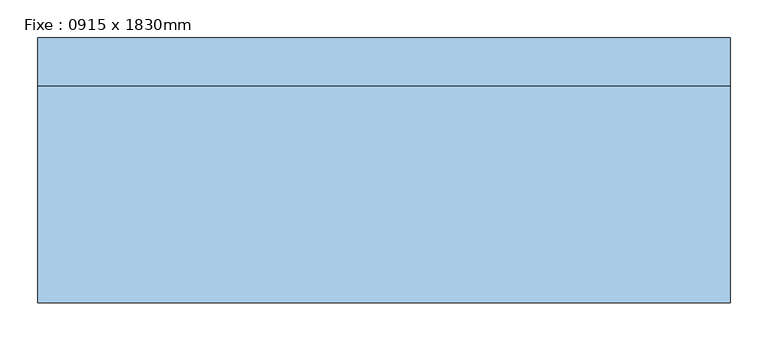
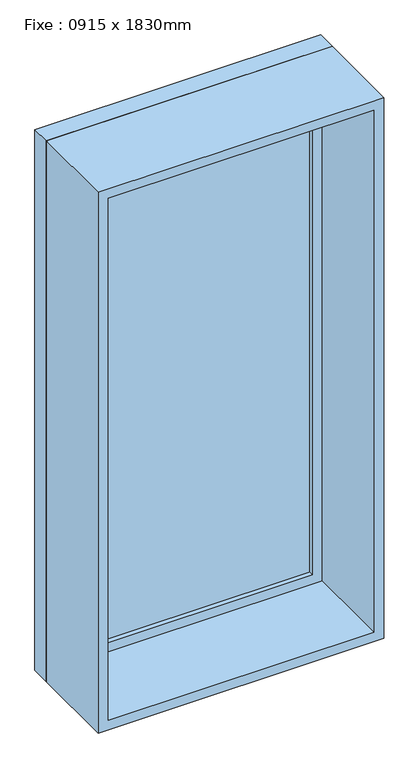
"""IFC4 building model written with IfcOpenShell, lengths in millimetres: window geometry, Fixe : 0915 x 1830mm."""

import ifcopenshell
import ifcopenshell.guid

model = None  # the IFC model being written
_history = None  # IfcOwnerHistory: only IFC2X3 demands one
_inside = {}  # id of a spatial element -> (the spatial element, [elements in it])
_under = {}  # id of a project, library or spatial element -> (it, [spatial elements below it])
_declared = {}  # id of a project -> (the project, [libraries it declares])
_typed = {}  # id of a type object -> (the type object, [elements of that type])
_made_of = {}  # id of a material, layer set ... -> (it, [elements and type objects made of it])


def new_model(schema):
    """Start an empty IFC model of exactly this schema.

    Asked for "IFC4X3", IfcOpenShell would pick the latest addendum, in which some entities
    have other attributes; the version numbers below select the first issue.
    IFC2X3 requires an IfcOwnerHistory on every rooted entity: one is made here for all.
    """
    global model, _history
    if schema == "IFC4X3":
        model = ifcopenshell.file(schema_version=(4, 3, 0, 0))
    else:
        model = ifcopenshell.file(schema=schema)
    _inside.clear()
    _under.clear()
    _declared.clear()
    _typed.clear()
    _made_of.clear()
    _history = None
    if model.schema == "IFC2X3":
        org = make("IfcOrganization", Name="unknown")
        user = make(
            "IfcPersonAndOrganization",
            ThePerson=make("IfcPerson", FamilyName="unknown"),
            TheOrganization=org,
        )
        app = make(
            "IfcApplication",
            ApplicationDeveloper=org,
            Version="unknown",
            ApplicationFullName="unknown",
            ApplicationIdentifier="unknown",
        )
        _history = make(
            "IfcOwnerHistory",
            OwningUser=user,
            OwningApplication=app,
            ChangeAction="ADDED",
            CreationDate=0,
        )
    return model


def make(cls, **values):
    """One entity of the class cls with the attributes given. An attribute that is None is left unset."""
    return model.create_entity(
        cls, **{name: value for name, value in values.items() if value is not None}
    )


def rooted(cls, **values):
    """An entity with a GlobalId (a new one), such as an element, a storey or a relation."""
    return make(cls, GlobalId=ifcopenshell.guid.new(), OwnerHistory=_history, **values)


def si_unit(unit_type, name, prefix=None):
    """IfcSIUnit, for example si_unit("LENGTHUNIT", "METRE", prefix="MILLI")."""
    return make("IfcSIUnit", UnitType=unit_type, Prefix=prefix, Name=name)


def assignment(units):
    """IfcUnitAssignment: the units of a project."""
    return None if units is None else make("IfcUnitAssignment", Units=units)


def point(xyz):
    """IfcCartesianPoint."""
    return None if xyz is None else make("IfcCartesianPoint", Coordinates=xyz)


def direction(xyz):
    """IfcDirection."""
    return None if xyz is None else make("IfcDirection", DirectionRatios=xyz)


def frame(location, z_axis=None, x_axis=None):
    """IfcAxis2Placement3D, a coordinate frame: its origin and axes. An axis left out is left unset."""
    return make(
        "IfcAxis2Placement3D",
        Location=point(location),
        Axis=direction(z_axis),
        RefDirection=direction(x_axis),
    )


def origin():
    """The frame at (0, 0, 0) with its axes left unset."""
    return frame((0.0, 0.0, 0.0))


def place(relative_to, where):
    """IfcLocalPlacement: puts the frame where relative to a parent placement (None: the world)."""
    return make(
        "IfcLocalPlacement", PlacementRelTo=relative_to, RelativePlacement=where
    )


def context(
    kind, dimensions, precision=None, world=None, true_north=None, identifier=None
):
    """IfcGeometricRepresentationContext, for example the 3D "Model" context."""
    return make(
        "IfcGeometricRepresentationContext",
        ContextIdentifier=identifier,
        ContextType=kind,
        CoordinateSpaceDimension=dimensions,
        Precision=precision,
        WorldCoordinateSystem=world,
        TrueNorth=true_north,
    )


def project(units=None, contexts=None):
    """IfcProject with its units and contexts."""
    return rooted(
        "IfcProject",
        Name="project",
        RepresentationContexts=contexts,
        UnitsInContext=assignment(units),
    )


def spatial(cls, under=None, at=None, **own):
    """A site, building, storey or space (cls), placed at a placement, below another one or the project."""
    s = rooted(cls, ObjectPlacement=at, **own)
    if under is not None:
        _under.setdefault(under.id(), (under, []))[1].append(s)
    return s


def polyline(points):
    """IfcPolyline through the points."""
    return make("IfcPolyline", Points=[point(p) for p in points])


def outline(outer, holes=None, kind="AREA"):
    """IfcArbitraryClosedProfileDef: a profile drawn as a closed curve; with holes, ...WithVoids."""
    if holes is None:
        return make("IfcArbitraryClosedProfileDef", ProfileType=kind, OuterCurve=outer)
    return make(
        "IfcArbitraryProfileDefWithVoids",
        ProfileType=kind,
        OuterCurve=outer,
        InnerCurves=holes,
    )


def extrude(swept, where, along, depth):
    """IfcExtrudedAreaSolid: the profile swept, set in the frame where, extruded along a direction by depth."""
    return make(
        "IfcExtrudedAreaSolid",
        SweptArea=swept,
        Position=where,
        ExtrudedDirection=direction(along),
        Depth=depth,
    )


def shape(context_of_items, identifier, shape_type, items):
    """IfcShapeRepresentation: the items that make up one representation, for example the "Body"."""
    return make(
        "IfcShapeRepresentation",
        ContextOfItems=context_of_items,
        RepresentationIdentifier=identifier,
        RepresentationType=shape_type,
        Items=items,
    )


def source(mapping_origin, context_of_items, identifier, shape_type, items):
    """IfcRepresentationMap: a shape defined once, which mapped items show again and again."""
    return make(
        "IfcRepresentationMap",
        MappingOrigin=mapping_origin,
        MappedRepresentation=shape(context_of_items, identifier, shape_type, items),
    )


def transform(
    local_origin,
    x_axis=None,
    y_axis=None,
    z_axis=None,
    scale=None,
    scale2=None,
    scale3=None,
    uniform=True,
):
    """IfcCartesianTransformationOperator3D, or its non-uniform kind. x_axis, y_axis, z_axis: its Axis1, 2, 3."""
    if uniform:
        return make(
            "IfcCartesianTransformationOperator3D",
            Axis1=direction(x_axis),
            Axis2=direction(y_axis),
            LocalOrigin=point(local_origin),
            Scale=scale,
            Axis3=direction(z_axis),
        )
    return make(
        "IfcCartesianTransformationOperator3DnonUniform",
        Axis1=direction(x_axis),
        Axis2=direction(y_axis),
        LocalOrigin=point(local_origin),
        Scale=scale,
        Axis3=direction(z_axis),
        Scale2=scale2,
        Scale3=scale3,
    )


def mapped(mapping_source, mapping_target):
    """IfcMappedItem: shows the shape of a source again, moved by a transform."""
    return make(
        "IfcMappedItem", MappingSource=mapping_source, MappingTarget=mapping_target
    )


def made_of(thing, what):
    """Note that an element or type object is made of a material, layer set ...; save() writes the relation."""
    if what is not None:
        _made_of.setdefault(what.id(), (what, []))[1].append(thing)
    return thing


def element(
    cls,
    number,
    at=None,
    inside=None,
    cuts=None,
    type_object=None,
    material=None,
    context=None,
    identifier="Body",
    shape_type=None,
    held_by="IfcProductDefinitionShape",
    body=None,
    shapes=None,
    **own,
):
    """One element of the class cls, such as IfcWall. Its Tag is "e" and its number.

    at: its placement. inside: the storey or other place that contains it. cuts: it is an
    opening in that element (IfcRelVoidsElement). A single representation is given by context,
    identifier, shape_type and body (its items); several are given by shapes. held_by: the class
    of the entity that holds the representations. save() writes the other relations.
    """
    e = rooted(cls, Tag="e%d" % number, ObjectPlacement=at, **own)
    if body is not None:
        shapes = [shape(context, identifier, shape_type, body)]
    if shapes is not None:
        e.Representation = make(held_by, Representations=shapes)
    if inside is not None:
        _inside.setdefault(inside.id(), (inside, []))[1].append(e)
    if cuts is not None:
        rooted(
            "IfcRelVoidsElement", RelatingBuildingElement=cuts, RelatedOpeningElement=e
        )
    if type_object is not None:
        _typed.setdefault(type_object.id(), (type_object, []))[1].append(e)
    return made_of(e, material)


def aggregate(whole, parts):
    """IfcRelAggregates: a whole, such as a stair, and the parts it consists of."""
    return rooted("IfcRelAggregates", RelatingObject=whole, RelatedObjects=parts)


def save(model, path):
    """Write the relations noted so far, then the file.

    IfcRelAggregates (storeys below a building ...), IfcRelContainedInSpatialStructure (elements
    in a storey), IfcRelDefinesByType, IfcRelAssociatesMaterial and IfcRelDeclares: one each for
    every whole, place, type object, material and project.
    """
    for whole, parts in _under.values():
        aggregate(whole, parts)
    for where, things in _inside.values():
        rooted(
            "IfcRelContainedInSpatialStructure",
            RelatedElements=things,
            RelatingStructure=where,
        )
    for kind, things in _typed.values():
        rooted("IfcRelDefinesByType", RelatedObjects=things, RelatingType=kind)
    for what, things in _made_of.values():
        rooted("IfcRelAssociatesMaterial", RelatedObjects=things, RelatingMaterial=what)
    for by, libraries in _declared.values():
        rooted("IfcRelDeclares", RelatingContext=by, RelatedDefinitions=libraries)
    model.write(path)


def fixe_0915_x_1830mm_e21fde83(model_context):
    return source(origin(), model_context, "Body", "SweptSolid", [
        extrude(outline(polyline([(-394.5, 153.0), (394.5, 153.0), (394.5, 141.0), (-394.5, 141.0), (-394.5, 153.0)])), frame((0.0, 0.0, 368.0), z_axis=(0.0, 0.0, 1.0), x_axis=(1.0, 0.0, 0.0)), (0.0, 0.0, 1.0), 1704.0),
        extrude(outline(polyline([(2116.0, -438.5), (324.0, -438.5), (324.0, 438.5), (2116.0, 438.5), (2116.0, -438.5)]), holes=[polyline([(2072.0, -394.5), (2072.0, 394.5), (368.0, 394.5), (368.0, -394.5), (2072.0, -394.5)])]), frame((0.0, 125.0, 0.0), z_axis=(0.0, 1.0, 0.0), x_axis=(0.0, 0.0, 1.0)), (0.0, 0.0, 1.0), 44.0),
        extrude(outline(polyline([(2135.0, -457.5), (305.0, -457.5), (305.0, 457.5), (2135.0, 457.5), (2135.0, -457.5)]), holes=[polyline([(2116.0, -438.5), (2116.0, 438.5), (324.0, 438.5), (324.0, -438.5), (2116.0, -438.5)])]), frame((0.0, 125.0, 0.0), z_axis=(0.0, 1.0, 0.0), x_axis=(0.0, 0.0, 1.0)), (0.0, 0.0, 1.0), 63.0),
        extrude(outline(polyline([(2135.0, -457.5), (305.0, -457.5), (305.0, 457.5), (2135.0, 457.5), (2135.0, -457.5)]), holes=[polyline([(2103.0, -425.5), (2103.0, 425.5), (337.0, 425.5), (337.0, -425.5), (2103.0, -425.5)])]), frame((0.0, -162.0, 0.0), z_axis=(0.0, 1.0, 0.0), x_axis=(0.0, 0.0, 1.0)), (0.0, 0.0, 1.0), 287.0),
    ])


if __name__ == "__main__":
    model = new_model("IFC4")
    model_context = context("Model", 3, world=origin())
    ifc_project = project(units=[si_unit("LENGTHUNIT", "METRE", prefix="MILLI")], contexts=[model_context])
    site = spatial("IfcSite", under=ifc_project)
    building = spatial("IfcBuilding", under=site)
    placement = place(None, origin())
    fixe_0915_x_1830mm_shape = fixe_0915_x_1830mm_e21fde83(model_context)
    element("IfcWindow", 1, ObjectType="Fixe : 0915 x 1830mm", at=placement, inside=building, context=model_context, shape_type="MappedRepresentation", body=[
        mapped(fixe_0915_x_1830mm_shape, transform((0.0, 0.0, 0.0), x_axis=(1.0, 0.0, 0.0), y_axis=(0.0, 1.0, 0.0), z_axis=(0.0, 0.0, 1.0))),
    ])
    save(model, "model.ifc")
